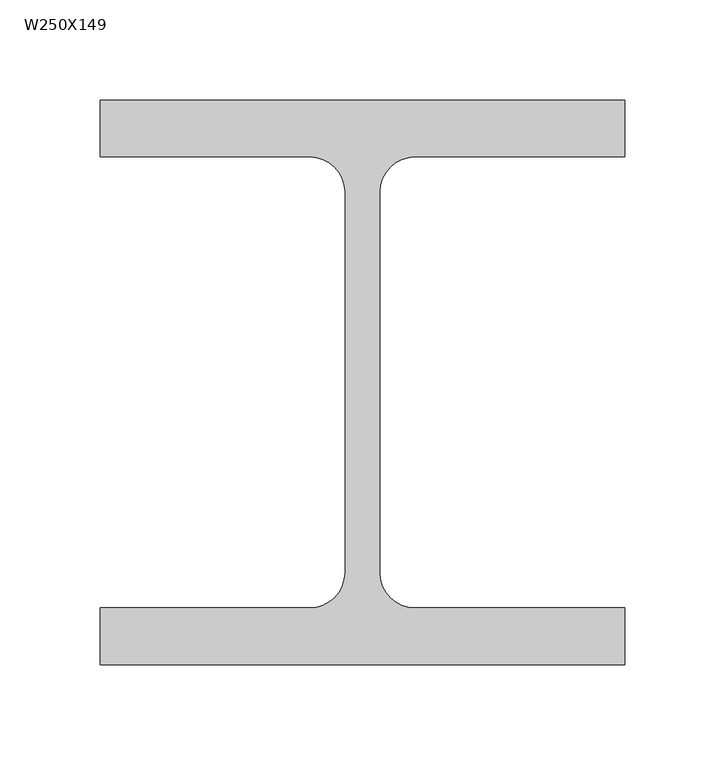
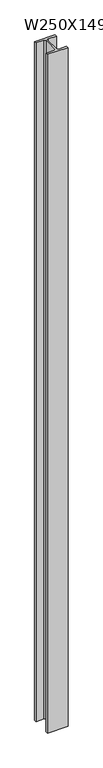
"""IFC4 building model written with IfcOpenShell, lengths in millimetres: column geometry, W250X149."""

from ifc_helpers import new_model, si_unit, point, frame_2d, origin, origin_with_axes, place, context, project, spatial, polyline, circle_curve, trimmed, segment, composite_curve, outline, extrude, source, transform, mapped, element, save


def w250x149_5e8d0547(model_context):
    return source(origin(), model_context, "Body", "SweptSolid", [
        extrude(outline(composite_curve([segment(polyline([(131.0, 141.0), (131.0, 112.6), (26.25, 112.6)]), True, "CONTINUOUS"), segment(trimmed(circle_curve(frame_2d((26.25, 95.0)), 17.6), [point((26.25, 112.6))], [point((8.65, 95.0))], True, "CARTESIAN"), True, "CONTINUOUS"), segment(polyline([(8.65, 95.0), (8.65, -95.0)]), True, "CONTINUOUS"), segment(trimmed(circle_curve(frame_2d((26.25, -95.0)), 17.6), [point((8.65, -95.0))], [point((26.25, -112.6))], True, "CARTESIAN"), True, "CONTINUOUS"), segment(polyline([(26.25, -112.6), (131.0, -112.6), (131.0, -141.0), (-131.0, -141.0), (-131.0, -112.6), (-26.25, -112.6)]), True, "CONTINUOUS"), segment(trimmed(circle_curve(frame_2d((-26.25, -95.0)), 17.6), [point((-26.25, -112.6))], [point((-8.65, -95.0))], True, "CARTESIAN"), True, "CONTINUOUS"), segment(polyline([(-8.65, -95.0), (-8.65, 95.0)]), True, "CONTINUOUS"), segment(trimmed(circle_curve(frame_2d((-26.25, 95.0)), 17.6), [point((-8.65, 95.0))], [point((-26.25, 112.6))], True, "CARTESIAN"), True, "CONTINUOUS"), segment(polyline([(-26.25, 112.6), (-131.0, 112.6), (-131.0, 141.0), (131.0, 141.0)]), True, "CONTINUOUS")], self_intersect=False)), origin_with_axes(), (0.0, 0.0, 1.0), 9144.0),
    ])


if __name__ == "__main__":
    model = new_model("IFC4")
    model_context = context("Model", 3, world=origin())
    ifc_project = project(units=[si_unit("LENGTHUNIT", "METRE", prefix="MILLI")], contexts=[model_context])
    site = spatial("IfcSite", under=ifc_project)
    building = spatial("IfcBuilding", under=site)
    placement = place(None, origin())
    w250x149_shape = w250x149_5e8d0547(model_context)
    element("IfcColumn", 1, ObjectType="W250X149", at=placement, inside=building, context=model_context, shape_type="MappedRepresentation", body=[
        mapped(w250x149_shape, transform((0.0, 0.0, 0.0), x_axis=(1.0, 0.0, 0.0), y_axis=(0.0, 1.0, 0.0), z_axis=(0.0, 0.0, 1.0))),
    ])
    save(model, "model.ifc")
